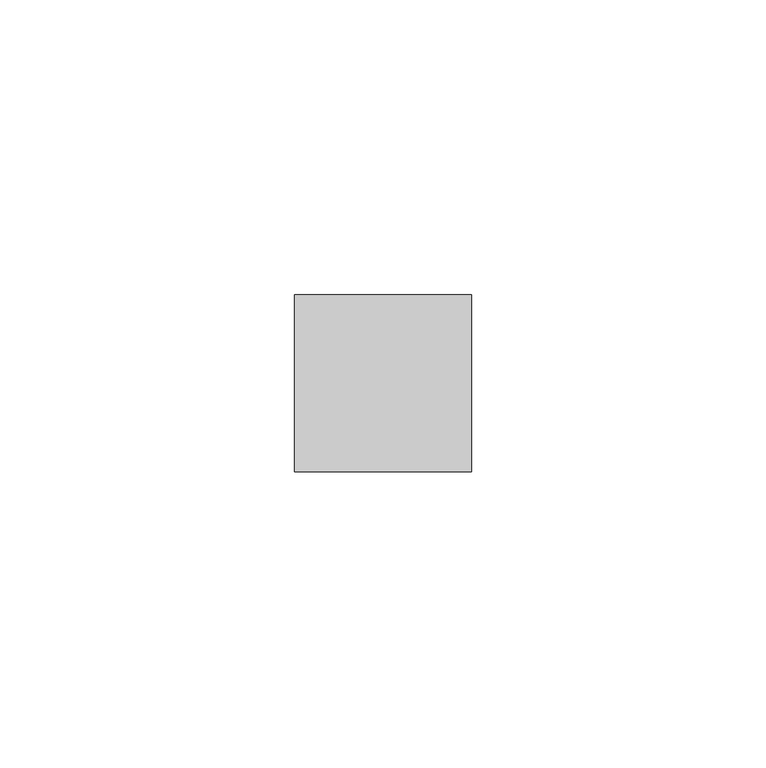
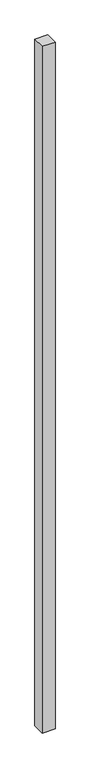
"""IFC4 building model written with IfcOpenShell, lengths in millimetres: member geometry."""

from ifc_helpers import new_model, si_unit, frame, origin, place, context, project, spatial, polyline, outline, extrude, source, transform, mapped, element, save


def member_f2901e91(model_context):
    return source(origin(), model_context, "Body", "SweptSolid", [
        extrude(outline(polyline([(15.0, 15.0), (15.0, -15.0), (-15.0, -15.0), (-15.0, 15.0), (15.0, 15.0)])), frame((0.0, 0.0, -1708.0), z_axis=(0.0, 0.0, 1.0), x_axis=(1.0, 0.0, 0.0)), (0.0, 0.0, 1.0), 1708.0),
    ])


if __name__ == "__main__":
    model = new_model("IFC4")
    model_context = context("Model", 3, world=origin())
    ifc_project = project(units=[si_unit("LENGTHUNIT", "METRE", prefix="MILLI")], contexts=[model_context])
    site = spatial("IfcSite", under=ifc_project)
    building = spatial("IfcBuilding", under=site)
    placement = place(None, origin())
    member_shape = member_f2901e91(model_context)
    element("IfcMember", 1, at=placement, inside=building, context=model_context, shape_type="MappedRepresentation", body=[
        mapped(member_shape, transform((0.0, 0.0, 0.0), x_axis=(1.0, 0.0, 0.0), y_axis=(0.0, 1.0, 0.0), z_axis=(0.0, 0.0, 1.0))),
    ])
    save(model, "model.ifc")
